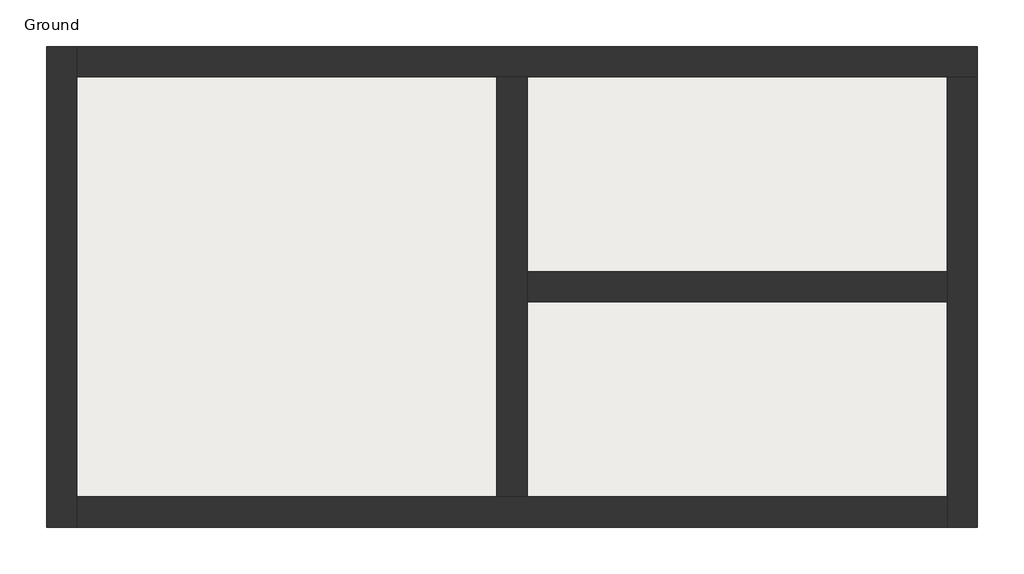
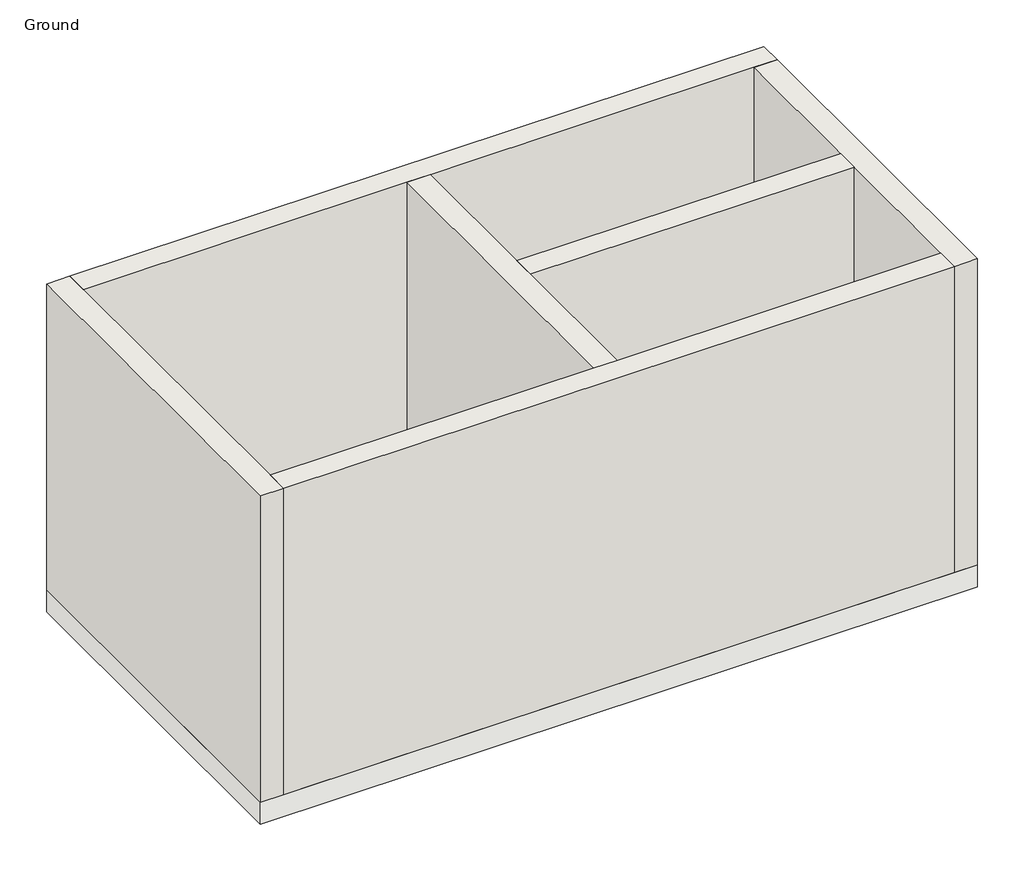
# One storey: 6 walls, 1 slab.
"""IFC4 building model written with IfcOpenShell, lengths in millimetres."""

from ifc_helpers import new_model, si_unit, frame, origin, origin_with_axes, place, context, project, spatial, polyline, outline, extrude, faceted_brep, element, save

model = new_model("IFC4")

# Units and contexts
model_context = context("Model", 3, world=origin())
ifc_project = project(units=[si_unit("LENGTHUNIT", "METRE", prefix="MILLI")], contexts=[model_context])

# Site, building, storey
site = spatial("IfcSite", under=ifc_project)
building = spatial("IfcBuilding", under=site)
storey = spatial("IfcBuildingStorey", under=building, Name="Ground", Elevation=0.0)

# Slab
placement = place(None, origin())
element("IfcSlab", 1, ObjectType="Floor 1", at=placement, inside=storey, context=model_context, shape_type="SweptSolid", body=[
    extrude(outline(polyline([(6100.0, 3100.0), (6100.0, -100.0), (-100.0, -100.0), (-100.0, 3100.0), (6100.0, 3100.0)])), frame((0.0, 0.0, -200.0), z_axis=(0.0, 0.0, 1.0), x_axis=(1.0, 0.0, 0.0)), (0.0, 0.0, 1.0), 200.0),
])

# Walls
element("IfcWall", 2, ObjectType="Wall 1", at=placement, inside=storey, context=model_context, shape_type="Brep", body=[
    faceted_brep([(100.0, -100.0, 0.0), (100.0, 100.0, 0.0), (100.0, 2900.0, 0.0), (100.0, 3100.0, 0.0), (100.0, 3100.0, 2800.0), (100.0, 2900.0, 2800.0), (100.0, 100.0, 2800.0), (100.0, -100.0, 2800.0), (-100.0, -100.0, 0.0), (-100.0, -100.0, 2800.0), (-100.0, 3100.0, 2800.0), (-100.0, 3100.0, 0.0)], [[[0, 1, 2, 3, 4, 5, 6, 7]], [[8, 9, 10, 11]], [[3, 2, 1, 0, 8, 11]], [[7, 6, 5, 4, 10, 9]], [[4, 3, 11, 10]], [[0, 7, 9, 8]]]),
])
element("IfcWall", 3, ObjectType="Wall 1", at=placement, inside=storey, context=model_context, shape_type="Brep", body=[
    faceted_brep([(100.0, 2900.0, 0.0), (2900.0, 2900.0, 0.0), (3100.0, 2900.0, 0.0), (5900.0, 2900.0, 0.0), (6100.0, 2900.0, 0.0), (6100.0, 2900.0, 2800.0), (5900.0, 2900.0, 2800.0), (3100.0, 2900.0, 2800.0), (2900.0, 2900.0, 2800.0), (100.0, 2900.0, 2800.0), (100.0, 3100.0, 0.0), (100.0, 3100.0, 2800.0), (6100.0, 3100.0, 2800.0), (6100.0, 3100.0, 0.0)], [[[0, 1, 2, 3, 4, 5, 6, 7, 8, 9]], [[10, 11, 12, 13]], [[4, 3, 2, 1, 0, 10, 13]], [[9, 8, 7, 6, 5, 12, 11]], [[0, 9, 11, 10]], [[5, 4, 13, 12]]]),
])
element("IfcWall", 4, ObjectType="Wall 1", at=placement, inside=storey, context=model_context, shape_type="Brep", body=[
    faceted_brep([(5900.0, 2900.0, 0.0), (5900.0, 1600.0, 0.0), (5900.0, 1400.0, 0.0), (5900.0, 100.0, 0.0), (5900.0, -100.0, 0.0), (5900.0, -100.0, 2800.0), (5900.0, 100.0, 2800.0), (5900.0, 1400.0, 2800.0), (5900.0, 1600.0, 2800.0), (5900.0, 2900.0, 2800.0), (6100.0, 2900.0, 0.0), (6100.0, 2900.0, 2800.0), (6100.0, -100.0, 2800.0), (6100.0, -100.0, 0.0)], [[[0, 1, 2, 3, 4, 5, 6, 7, 8, 9]], [[10, 11, 12, 13]], [[4, 3, 2, 1, 0, 10, 13]], [[9, 8, 7, 6, 5, 12, 11]], [[0, 9, 11, 10]], [[5, 4, 13, 12]]]),
])
element("IfcWall", 5, ObjectType="Wall 1", at=placement, inside=storey, context=model_context, shape_type="Brep", body=[
    faceted_brep([(5900.0, 100.0, 0.0), (3100.0, 100.0, 0.0), (2900.0, 100.0, 0.0), (100.0, 100.0, 0.0), (100.0, 100.0, 2800.0), (2900.0, 100.0, 2800.0), (3100.0, 100.0, 2800.0), (5900.0, 100.0, 2800.0), (5900.0, -100.0, 0.0), (5900.0, -100.0, 2800.0), (100.0, -100.0, 2800.0), (100.0, -100.0, 0.0)], [[[0, 1, 2, 3, 4, 5, 6, 7]], [[8, 9, 10, 11]], [[3, 2, 1, 0, 8, 11]], [[7, 6, 5, 4, 10, 9]], [[4, 3, 11, 10]], [[0, 7, 9, 8]]]),
])
element("IfcWall", 6, ObjectType="Wall 1", at=placement, inside=storey, context=model_context, shape_type="Brep", body=[
    faceted_brep([(2900.0, 2900.0, 0.0), (2900.0, 100.0, 0.0), (2900.0, 100.0, 2800.0), (2900.0, 2900.0, 2800.0), (3100.0, 2900.0, 0.0), (3100.0, 2900.0, 2800.0), (3100.0, 1600.0, 2800.0), (3100.0, 1400.0, 2800.0), (3100.0, 100.0, 2800.0), (3100.0, 100.0, 0.0), (3100.0, 1400.0, 0.0), (3100.0, 1600.0, 0.0)], [[[0, 1, 2, 3]], [[4, 5, 6, 7, 8, 9, 10, 11]], [[1, 0, 4, 11, 10, 9]], [[3, 2, 8, 7, 6, 5]], [[0, 3, 5, 4]], [[2, 1, 9, 8]]]),
])
element("IfcWall", 7, ObjectType="Wall 1", at=placement, inside=storey, context=model_context, shape_type="SweptSolid", body=[
    extrude(outline(polyline([(5900.0, 1400.0), (3100.0, 1400.0), (3100.0, 1600.0), (5900.0, 1600.0), (5900.0, 1400.0)])), origin_with_axes(), (0.0, 0.0, 1.0), 2800.0),
])

save(model, "model.ifc")
